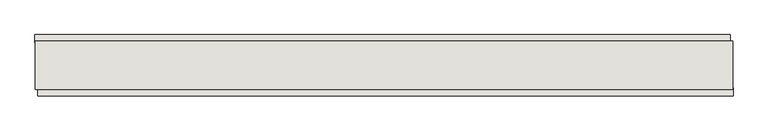
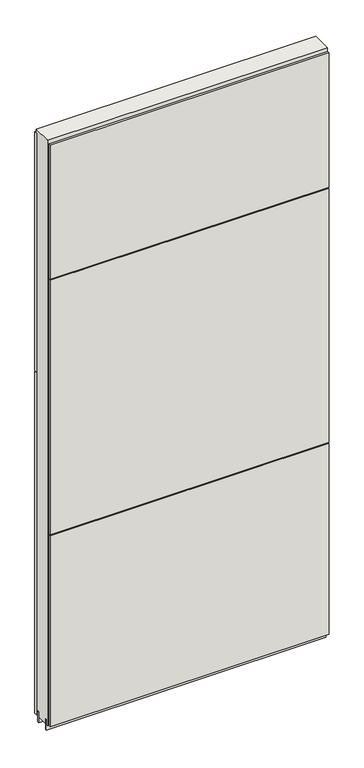
"""IFC4 building model written with IfcOpenShell, lengths in millimetres: wall geometry."""

from ifc_helpers import new_model, si_unit, frame, origin, place, context, project, spatial, polyline, outline, extrude, source, transform, mapped, element, save


def wall_8d14a277(model_context):
    return source(origin(), model_context, "Body", "SweptSolid", [
        extrude(outline(polyline([(62279.508918, -52824.7495954), (62276.968918, -52824.7495954), (62276.968918, -52822.2095954), (62279.508918, -52822.2095954), (62279.508918, -52824.7495954)])), frame((0.0, 0.0, 4419.6), z_axis=(0.0, 0.0, 1.0), x_axis=(1.0, 0.0, 0.0)), (0.0, 0.0, 1.0), 2.54),
        extrude(outline(polyline([(61119.6442324, -52772.6795954), (62275.0440552, -52772.6795954), (62275.0440552, -52785.3795954), (61119.6442324, -52785.3795954), (61119.6442324, -52772.6795954)])), frame((0.0, 0.0, 5945.6000722), z_axis=(0.0, 0.0, 1.0), x_axis=(1.0, 0.0, 0.0)), (0.0, 0.0, 1.0), 1044.449905),
        extrude(outline(polyline([(61119.6442324, -52772.6795954), (62275.0440552, -52772.6795954), (62275.0440552, -52785.3795954), (61119.6442324, -52785.3795954), (61119.6442324, -52772.6795954)])), frame((0.0, 0.0, 4445.0), z_axis=(0.0, 0.0, 1.0), x_axis=(1.0, 0.0, 0.0)), (0.0, 0.0, 1.0), 1496.600004),
        extrude(outline(polyline([(62279.973992, -52874.2795954), (61124.5741692, -52874.2795954), (61124.5741692, -52861.5795954), (62279.973992, -52861.5795954), (62279.973992, -52874.2795954)])), frame((0.0, 0.0, 6402.8000722), z_axis=(0.0, 0.0, 1.0), x_axis=(1.0, 0.0, 0.0)), (0.0, 0.0, 1.0), 587.2498034),
        extrude(outline(polyline([(62279.973992, -52874.2795954), (61124.5741692, -52874.2795954), (61124.5741692, -52861.5795954), (62279.973992, -52861.5795954), (62279.973992, -52874.2795954)])), frame((0.0, 0.0, 5285.2000722), z_axis=(0.0, 0.0, 1.0), x_axis=(1.0, 0.0, 0.0)), (0.0, 0.0, 1.0), 1113.5999572),
        extrude(outline(polyline([(62279.973992, -52874.2795954), (61124.5741692, -52874.2795954), (61124.5741692, -52861.5795954), (62279.973992, -52861.5795954), (62279.973992, -52874.2795954)])), frame((0.0, 0.0, 4445.0), z_axis=(0.0, 0.0, 1.0), x_axis=(1.0, 0.0, 0.0)), (0.0, 0.0, 1.0), 836.200004),
        extrude(outline(polyline([(62279.503965, -52798.3958508), (61120.0956666, -52798.3958508), (61120.0956666, -52793.3170954), (62279.503965, -52793.3170954), (62279.503965, -52798.3958508)])), frame((0.0, 0.0, 4418.6602), z_axis=(0.0, 0.0, 1.0), x_axis=(1.0, 0.0, 0.0)), (0.0, 0.0, 1.0), 47.625),
        extrude(outline(polyline([(62279.503965, -52798.3958508), (61120.0956666, -52798.3958508), (61120.0956666, -52793.3170954), (62279.503965, -52793.3170954), (62279.503965, -52798.3958508)])), frame((0.0, 0.0, 4418.6602), z_axis=(0.0, 0.0, 1.0), x_axis=(1.0, 0.0, 0.0)), (0.0, 0.0, 1.0), 47.625),
        extrude(outline(polyline([(61120.0956666, -52848.56334), (62279.503965, -52848.56334), (62279.503965, -52853.6420954), (61120.0956666, -52853.6420954), (61120.0956666, -52848.56334)])), frame((0.0, 0.0, 4418.6602), z_axis=(0.0, 0.0, 1.0), x_axis=(1.0, 0.0, 0.0)), (0.0, 0.0, 1.0), 47.625),
        extrude(outline(polyline([(61120.0956666, -52848.56334), (62279.503965, -52848.56334), (62279.503965, -52853.6420954), (61120.0956666, -52853.6420954), (61120.0956666, -52848.56334)])), frame((0.0, 0.0, 4418.6602), z_axis=(0.0, 0.0, 1.0), x_axis=(1.0, 0.0, 0.0)), (0.0, 0.0, 1.0), 47.625),
        extrude(outline(polyline([(62279.503965, -52782.824711), (62279.503965, -52864.1282822), (61120.0956666, -52864.1282822), (61120.0956666, -52782.824711), (62279.503965, -52782.824711)])), frame((0.0, 0.0, 4445.0), z_axis=(0.0, 0.0, 1.0), x_axis=(1.0, 0.0, 0.0)), (0.0, 0.0, 1.0), 2562.4536762),
    ])


if __name__ == "__main__":
    model = new_model("IFC4")
    model_context = context("Model", 3, world=origin())
    ifc_project = project(units=[si_unit("LENGTHUNIT", "METRE", prefix="MILLI")], contexts=[model_context])
    site = spatial("IfcSite", under=ifc_project)
    building = spatial("IfcBuilding", under=site)
    placement = place(None, origin())
    wall_shape = wall_8d14a277(model_context)
    element("IfcWall", 1, at=placement, inside=building, context=model_context, shape_type="MappedRepresentation", body=[
        mapped(wall_shape, transform((0.0, 0.0, 0.0), x_axis=(1.0, 0.0, 0.0), y_axis=(0.0, 1.0, 0.0), z_axis=(0.0, 0.0, 1.0))),
    ])
    save(model, "model.ifc")
